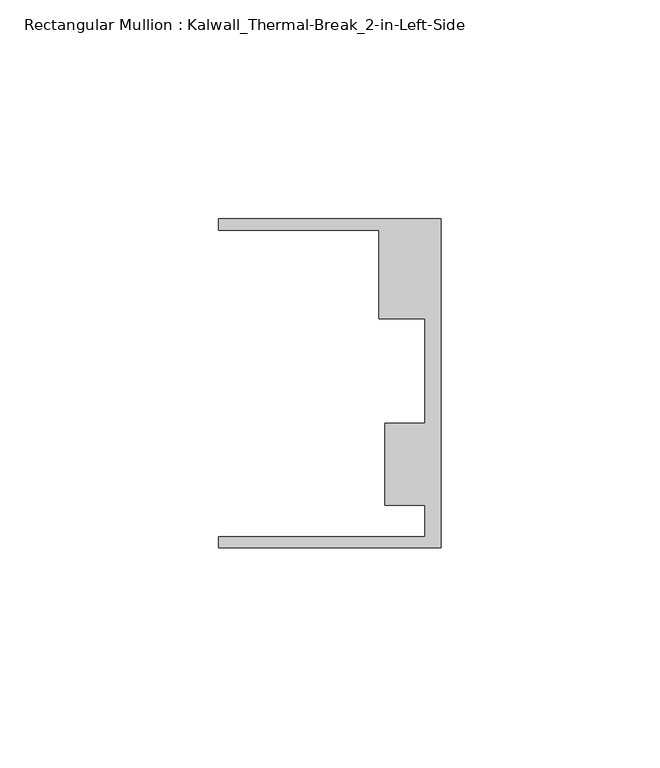
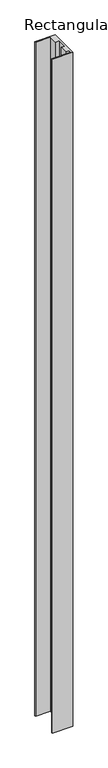
"""IFC4 building model written with IfcOpenShell, lengths in millimetres: member geometry, Rectangular Mullion : Kalwall_Thermal-Break_2-in-Left-Side."""

from ifc_helpers import new_model, si_unit, frame, origin, place, context, project, spatial, polyline, outline, extrude, source, transform, mapped, element, save


def rectangular_mullion_kalwall_thermal_break_2_in_left_side_721aa9b5(model_context):
    return source(origin(), model_context, "Body", "SweptSolid", [
        extrude(outline(polyline([(0.0, -37.5776386), (-50.8, -37.5776386), (-50.8, -35.0376386), (-3.7084, -35.0376386), (-3.7084, -27.8888568), (-12.8272539, -27.8888568), (-12.8272539, -9.1879886), (-3.7084, -9.1879886), (-3.7084, 14.7439614), (-14.1732, 14.7439614), (-14.1732, 34.9623614), (-50.8, 34.9623614), (-50.8, 37.5023614), (0.0, 37.5023614), (0.0, -37.5776386)])), frame((0.0, 0.0, -1762.125), z_axis=(0.0, 0.0, 1.0), x_axis=(1.0, 0.0, 0.0)), (0.0, 0.0, 1.0), 1762.125),
    ])


if __name__ == "__main__":
    model = new_model("IFC4")
    model_context = context("Model", 3, world=origin())
    ifc_project = project(units=[si_unit("LENGTHUNIT", "METRE", prefix="MILLI")], contexts=[model_context])
    site = spatial("IfcSite", under=ifc_project)
    building = spatial("IfcBuilding", under=site)
    placement = place(None, origin())
    rectangular_mullion_kalwall_thermal_break_2_in_left_side_shape = rectangular_mullion_kalwall_thermal_break_2_in_left_side_721aa9b5(model_context)
    element("IfcMember", 1, ObjectType="Rectangular Mullion : Kalwall_Thermal-Break_2-in-Left-Side", at=placement, inside=building, context=model_context, shape_type="MappedRepresentation", body=[
        mapped(rectangular_mullion_kalwall_thermal_break_2_in_left_side_shape, transform((0.0, 0.0, 0.0), x_axis=(1.0, 0.0, 0.0), y_axis=(0.0, 1.0, 0.0), z_axis=(0.0, 0.0, 1.0))),
    ])
    save(model, "model.ifc")
